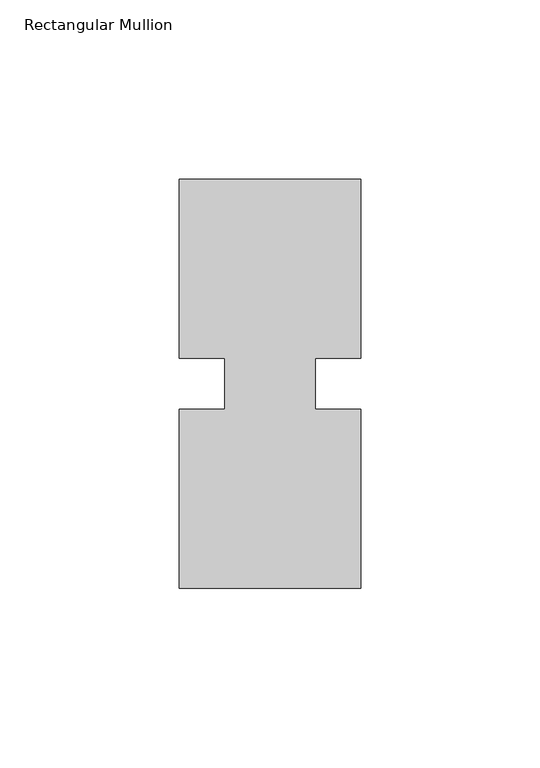
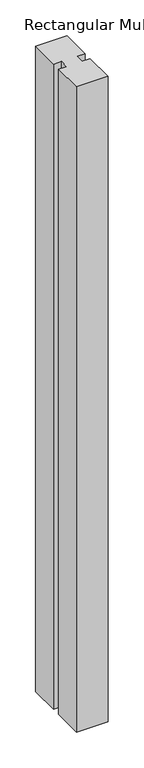
"""IFC4 building model written with IfcOpenShell, lengths in millimetres: member geometry, Rectangular Mullion."""

from ifc_helpers import new_model, si_unit, frame, origin, place, context, project, spatial, polyline, outline, extrude, source, transform, mapped, element, save


def rectangular_mullion_6f01273d(model_context):
    return source(origin(), model_context, "Body", "SweptSolid", [
        extrude(outline(polyline([(29.7344027, 57.15), (29.7344027, 7.14375), (17.0326322, 7.14375), (17.0326322, -7.14375), (29.7344027, -7.14375), (29.7344027, -57.15), (-21.0655973, -57.15), (-21.0655973, -7.14375), (-8.3655973, -7.14375), (-8.3655973, 7.14375), (-21.0655973, 7.14375), (-21.0655973, 57.15), (29.7344027, 57.15)])), frame((0.0, 0.0, -1099.7094027), z_axis=(0.0, 0.0, 1.0), x_axis=(1.0, 0.0, 0.0)), (0.0, 0.0, 1.0), 1099.7094027),
    ])


if __name__ == "__main__":
    model = new_model("IFC4")
    model_context = context("Model", 3, world=origin())
    ifc_project = project(units=[si_unit("LENGTHUNIT", "METRE", prefix="MILLI")], contexts=[model_context])
    site = spatial("IfcSite", under=ifc_project)
    building = spatial("IfcBuilding", under=site)
    placement = place(None, origin())
    rectangular_mullion_shape = rectangular_mullion_6f01273d(model_context)
    element("IfcMember", 1, ObjectType="Rectangular Mullion", at=placement, inside=building, context=model_context, shape_type="MappedRepresentation", body=[
        mapped(rectangular_mullion_shape, transform((0.0, 0.0, 0.0), x_axis=(1.0, 0.0, 0.0), y_axis=(0.0, 1.0, 0.0), z_axis=(0.0, 0.0, 1.0))),
    ])
    save(model, "model.ifc")
